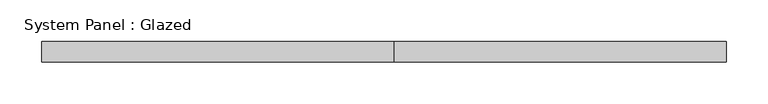
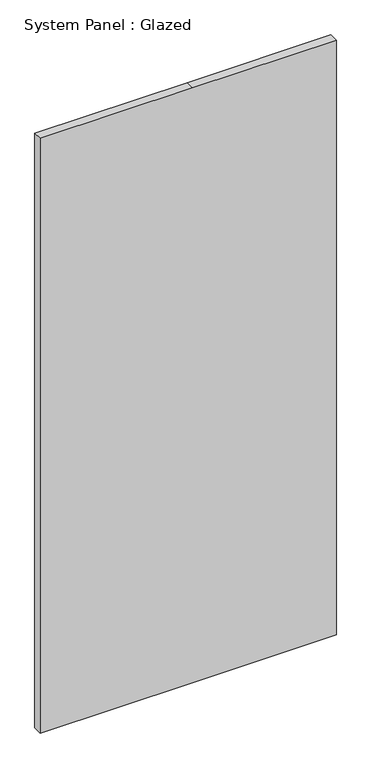
"""IFC4 building model written with IfcOpenShell, lengths in millimetres: plate geometry, System Panel : Glazed."""

import ifcopenshell
import ifcopenshell.guid

model = None  # the IFC model being written
_history = None  # IfcOwnerHistory: only IFC2X3 demands one
_inside = {}  # id of a spatial element -> (the spatial element, [elements in it])
_under = {}  # id of a project, library or spatial element -> (it, [spatial elements below it])
_declared = {}  # id of a project -> (the project, [libraries it declares])
_typed = {}  # id of a type object -> (the type object, [elements of that type])
_made_of = {}  # id of a material, layer set ... -> (it, [elements and type objects made of it])


def new_model(schema):
    """Start an empty IFC model of exactly this schema.

    Asked for "IFC4X3", IfcOpenShell would pick the latest addendum, in which some entities
    have other attributes; the version numbers below select the first issue.
    IFC2X3 requires an IfcOwnerHistory on every rooted entity: one is made here for all.
    """
    global model, _history
    if schema == "IFC4X3":
        model = ifcopenshell.file(schema_version=(4, 3, 0, 0))
    else:
        model = ifcopenshell.file(schema=schema)
    _inside.clear()
    _under.clear()
    _declared.clear()
    _typed.clear()
    _made_of.clear()
    _history = None
    if model.schema == "IFC2X3":
        org = make("IfcOrganization", Name="unknown")
        user = make(
            "IfcPersonAndOrganization",
            ThePerson=make("IfcPerson", FamilyName="unknown"),
            TheOrganization=org,
        )
        app = make(
            "IfcApplication",
            ApplicationDeveloper=org,
            Version="unknown",
            ApplicationFullName="unknown",
            ApplicationIdentifier="unknown",
        )
        _history = make(
            "IfcOwnerHistory",
            OwningUser=user,
            OwningApplication=app,
            ChangeAction="ADDED",
            CreationDate=0,
        )
    return model


def make(cls, **values):
    """One entity of the class cls with the attributes given. An attribute that is None is left unset."""
    return model.create_entity(
        cls, **{name: value for name, value in values.items() if value is not None}
    )


def rooted(cls, **values):
    """An entity with a GlobalId (a new one), such as an element, a storey or a relation."""
    return make(cls, GlobalId=ifcopenshell.guid.new(), OwnerHistory=_history, **values)


def si_unit(unit_type, name, prefix=None):
    """IfcSIUnit, for example si_unit("LENGTHUNIT", "METRE", prefix="MILLI")."""
    return make("IfcSIUnit", UnitType=unit_type, Prefix=prefix, Name=name)


def assignment(units):
    """IfcUnitAssignment: the units of a project."""
    return None if units is None else make("IfcUnitAssignment", Units=units)


def point(xyz):
    """IfcCartesianPoint."""
    return None if xyz is None else make("IfcCartesianPoint", Coordinates=xyz)


def direction(xyz):
    """IfcDirection."""
    return None if xyz is None else make("IfcDirection", DirectionRatios=xyz)


def frame(location, z_axis=None, x_axis=None):
    """IfcAxis2Placement3D, a coordinate frame: its origin and axes. An axis left out is left unset."""
    return make(
        "IfcAxis2Placement3D",
        Location=point(location),
        Axis=direction(z_axis),
        RefDirection=direction(x_axis),
    )


def origin():
    """The frame at (0, 0, 0) with its axes left unset."""
    return frame((0.0, 0.0, 0.0))


def place(relative_to, where):
    """IfcLocalPlacement: puts the frame where relative to a parent placement (None: the world)."""
    return make(
        "IfcLocalPlacement", PlacementRelTo=relative_to, RelativePlacement=where
    )


def context(
    kind, dimensions, precision=None, world=None, true_north=None, identifier=None
):
    """IfcGeometricRepresentationContext, for example the 3D "Model" context."""
    return make(
        "IfcGeometricRepresentationContext",
        ContextIdentifier=identifier,
        ContextType=kind,
        CoordinateSpaceDimension=dimensions,
        Precision=precision,
        WorldCoordinateSystem=world,
        TrueNorth=true_north,
    )


def project(units=None, contexts=None):
    """IfcProject with its units and contexts."""
    return rooted(
        "IfcProject",
        Name="project",
        RepresentationContexts=contexts,
        UnitsInContext=assignment(units),
    )


def spatial(cls, under=None, at=None, **own):
    """A site, building, storey or space (cls), placed at a placement, below another one or the project."""
    s = rooted(cls, ObjectPlacement=at, **own)
    if under is not None:
        _under.setdefault(under.id(), (under, []))[1].append(s)
    return s


def polyline(points):
    """IfcPolyline through the points."""
    return make("IfcPolyline", Points=[point(p) for p in points])


def outline(outer, holes=None, kind="AREA"):
    """IfcArbitraryClosedProfileDef: a profile drawn as a closed curve; with holes, ...WithVoids."""
    if holes is None:
        return make("IfcArbitraryClosedProfileDef", ProfileType=kind, OuterCurve=outer)
    return make(
        "IfcArbitraryProfileDefWithVoids",
        ProfileType=kind,
        OuterCurve=outer,
        InnerCurves=holes,
    )


def extrude(swept, where, along, depth):
    """IfcExtrudedAreaSolid: the profile swept, set in the frame where, extruded along a direction by depth."""
    return make(
        "IfcExtrudedAreaSolid",
        SweptArea=swept,
        Position=where,
        ExtrudedDirection=direction(along),
        Depth=depth,
    )


def shape(context_of_items, identifier, shape_type, items):
    """IfcShapeRepresentation: the items that make up one representation, for example the "Body"."""
    return make(
        "IfcShapeRepresentation",
        ContextOfItems=context_of_items,
        RepresentationIdentifier=identifier,
        RepresentationType=shape_type,
        Items=items,
    )


def source(mapping_origin, context_of_items, identifier, shape_type, items):
    """IfcRepresentationMap: a shape defined once, which mapped items show again and again."""
    return make(
        "IfcRepresentationMap",
        MappingOrigin=mapping_origin,
        MappedRepresentation=shape(context_of_items, identifier, shape_type, items),
    )


def transform(
    local_origin,
    x_axis=None,
    y_axis=None,
    z_axis=None,
    scale=None,
    scale2=None,
    scale3=None,
    uniform=True,
):
    """IfcCartesianTransformationOperator3D, or its non-uniform kind. x_axis, y_axis, z_axis: its Axis1, 2, 3."""
    if uniform:
        return make(
            "IfcCartesianTransformationOperator3D",
            Axis1=direction(x_axis),
            Axis2=direction(y_axis),
            LocalOrigin=point(local_origin),
            Scale=scale,
            Axis3=direction(z_axis),
        )
    return make(
        "IfcCartesianTransformationOperator3DnonUniform",
        Axis1=direction(x_axis),
        Axis2=direction(y_axis),
        LocalOrigin=point(local_origin),
        Scale=scale,
        Axis3=direction(z_axis),
        Scale2=scale2,
        Scale3=scale3,
    )


def mapped(mapping_source, mapping_target):
    """IfcMappedItem: shows the shape of a source again, moved by a transform."""
    return make(
        "IfcMappedItem", MappingSource=mapping_source, MappingTarget=mapping_target
    )


def made_of(thing, what):
    """Note that an element or type object is made of a material, layer set ...; save() writes the relation."""
    if what is not None:
        _made_of.setdefault(what.id(), (what, []))[1].append(thing)
    return thing


def element(
    cls,
    number,
    at=None,
    inside=None,
    cuts=None,
    type_object=None,
    material=None,
    context=None,
    identifier="Body",
    shape_type=None,
    held_by="IfcProductDefinitionShape",
    body=None,
    shapes=None,
    **own,
):
    """One element of the class cls, such as IfcWall. Its Tag is "e" and its number.

    at: its placement. inside: the storey or other place that contains it. cuts: it is an
    opening in that element (IfcRelVoidsElement). A single representation is given by context,
    identifier, shape_type and body (its items); several are given by shapes. held_by: the class
    of the entity that holds the representations. save() writes the other relations.
    """
    e = rooted(cls, Tag="e%d" % number, ObjectPlacement=at, **own)
    if body is not None:
        shapes = [shape(context, identifier, shape_type, body)]
    if shapes is not None:
        e.Representation = make(held_by, Representations=shapes)
    if inside is not None:
        _inside.setdefault(inside.id(), (inside, []))[1].append(e)
    if cuts is not None:
        rooted(
            "IfcRelVoidsElement", RelatingBuildingElement=cuts, RelatedOpeningElement=e
        )
    if type_object is not None:
        _typed.setdefault(type_object.id(), (type_object, []))[1].append(e)
    return made_of(e, material)


def aggregate(whole, parts):
    """IfcRelAggregates: a whole, such as a stair, and the parts it consists of."""
    return rooted("IfcRelAggregates", RelatingObject=whole, RelatedObjects=parts)


def save(model, path):
    """Write the relations noted so far, then the file.

    IfcRelAggregates (storeys below a building ...), IfcRelContainedInSpatialStructure (elements
    in a storey), IfcRelDefinesByType, IfcRelAssociatesMaterial and IfcRelDeclares: one each for
    every whole, place, type object, material and project.
    """
    for whole, parts in _under.values():
        aggregate(whole, parts)
    for where, things in _inside.values():
        rooted(
            "IfcRelContainedInSpatialStructure",
            RelatedElements=things,
            RelatingStructure=where,
        )
    for kind, things in _typed.values():
        rooted("IfcRelDefinesByType", RelatedObjects=things, RelatingType=kind)
    for what, things in _made_of.values():
        rooted("IfcRelAssociatesMaterial", RelatedObjects=things, RelatingMaterial=what)
    for by, libraries in _declared.values():
        rooted("IfcRelDeclares", RelatingContext=by, RelatedDefinitions=libraries)
    model.write(path)


def system_panel_glazed_b4f5e8ea(model_context):
    return source(origin(), model_context, "Body", "SweptSolid", [
        extrude(outline(polyline([(0.0, -412.5), (0.0, 12.5), (0.0, 412.5), (1750.0, 412.5), (1750.0, 12.5), (1750.0, -412.5), (0.0, -412.5)])), frame((0.0, -49.5, 0.0), z_axis=(0.0, 1.0, 0.0), x_axis=(0.0, 0.0, 1.0)), (0.0, 0.0, 1.0), 25.0),
    ])


if __name__ == "__main__":
    model = new_model("IFC4")
    model_context = context("Model", 3, world=origin())
    ifc_project = project(units=[si_unit("LENGTHUNIT", "METRE", prefix="MILLI")], contexts=[model_context])
    site = spatial("IfcSite", under=ifc_project)
    building = spatial("IfcBuilding", under=site)
    placement = place(None, origin())
    system_panel_glazed_shape = system_panel_glazed_b4f5e8ea(model_context)
    element("IfcPlate", 1, ObjectType="System Panel : Glazed", at=placement, inside=building, context=model_context, shape_type="MappedRepresentation", body=[
        mapped(system_panel_glazed_shape, transform((0.0, 0.0, 0.0), x_axis=(1.0, 0.0, 0.0), y_axis=(0.0, 1.0, 0.0), z_axis=(0.0, 0.0, 1.0))),
    ])
    save(model, "model.ifc")
